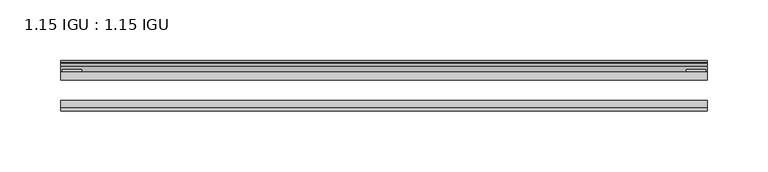
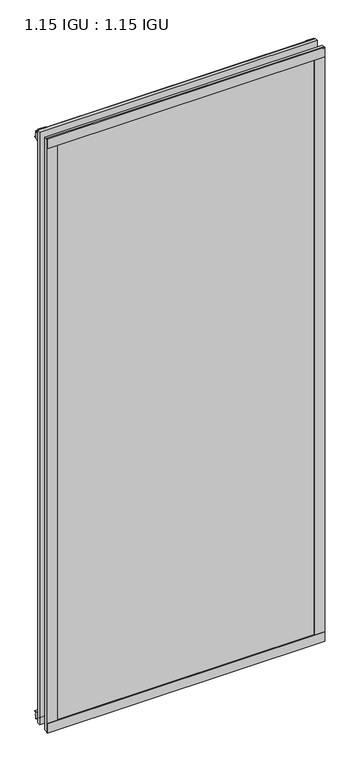
"""IFC4 building model written with IfcOpenShell, lengths in millimetres: plate geometry, 1.15 IGU : 1.15 IGU."""

import ifcopenshell
import ifcopenshell.guid

model = None  # the IFC model being written
_history = None  # IfcOwnerHistory: only IFC2X3 demands one
_inside = {}  # id of a spatial element -> (the spatial element, [elements in it])
_under = {}  # id of a project, library or spatial element -> (it, [spatial elements below it])
_declared = {}  # id of a project -> (the project, [libraries it declares])
_typed = {}  # id of a type object -> (the type object, [elements of that type])
_made_of = {}  # id of a material, layer set ... -> (it, [elements and type objects made of it])


def new_model(schema):
    """Start an empty IFC model of exactly this schema.

    Asked for "IFC4X3", IfcOpenShell would pick the latest addendum, in which some entities
    have other attributes; the version numbers below select the first issue.
    IFC2X3 requires an IfcOwnerHistory on every rooted entity: one is made here for all.
    """
    global model, _history
    if schema == "IFC4X3":
        model = ifcopenshell.file(schema_version=(4, 3, 0, 0))
    else:
        model = ifcopenshell.file(schema=schema)
    _inside.clear()
    _under.clear()
    _declared.clear()
    _typed.clear()
    _made_of.clear()
    _history = None
    if model.schema == "IFC2X3":
        org = make("IfcOrganization", Name="unknown")
        user = make(
            "IfcPersonAndOrganization",
            ThePerson=make("IfcPerson", FamilyName="unknown"),
            TheOrganization=org,
        )
        app = make(
            "IfcApplication",
            ApplicationDeveloper=org,
            Version="unknown",
            ApplicationFullName="unknown",
            ApplicationIdentifier="unknown",
        )
        _history = make(
            "IfcOwnerHistory",
            OwningUser=user,
            OwningApplication=app,
            ChangeAction="ADDED",
            CreationDate=0,
        )
    return model


def make(cls, **values):
    """One entity of the class cls with the attributes given. An attribute that is None is left unset."""
    return model.create_entity(
        cls, **{name: value for name, value in values.items() if value is not None}
    )


def rooted(cls, **values):
    """An entity with a GlobalId (a new one), such as an element, a storey or a relation."""
    return make(cls, GlobalId=ifcopenshell.guid.new(), OwnerHistory=_history, **values)


def si_unit(unit_type, name, prefix=None):
    """IfcSIUnit, for example si_unit("LENGTHUNIT", "METRE", prefix="MILLI")."""
    return make("IfcSIUnit", UnitType=unit_type, Prefix=prefix, Name=name)


def assignment(units):
    """IfcUnitAssignment: the units of a project."""
    return None if units is None else make("IfcUnitAssignment", Units=units)


def point(xyz):
    """IfcCartesianPoint."""
    return None if xyz is None else make("IfcCartesianPoint", Coordinates=xyz)


def direction(xyz):
    """IfcDirection."""
    return None if xyz is None else make("IfcDirection", DirectionRatios=xyz)


def frame(location, z_axis=None, x_axis=None):
    """IfcAxis2Placement3D, a coordinate frame: its origin and axes. An axis left out is left unset."""
    return make(
        "IfcAxis2Placement3D",
        Location=point(location),
        Axis=direction(z_axis),
        RefDirection=direction(x_axis),
    )


def frame_2d(location, x_axis=None):
    """IfcAxis2Placement2D, a coordinate frame in the plane: its origin and x axis."""
    return make(
        "IfcAxis2Placement2D", Location=point(location), RefDirection=direction(x_axis)
    )


def origin():
    """The frame at (0, 0, 0) with its axes left unset."""
    return frame((0.0, 0.0, 0.0))


def place(relative_to, where):
    """IfcLocalPlacement: puts the frame where relative to a parent placement (None: the world)."""
    return make(
        "IfcLocalPlacement", PlacementRelTo=relative_to, RelativePlacement=where
    )


def context(
    kind, dimensions, precision=None, world=None, true_north=None, identifier=None
):
    """IfcGeometricRepresentationContext, for example the 3D "Model" context."""
    return make(
        "IfcGeometricRepresentationContext",
        ContextIdentifier=identifier,
        ContextType=kind,
        CoordinateSpaceDimension=dimensions,
        Precision=precision,
        WorldCoordinateSystem=world,
        TrueNorth=true_north,
    )


def project(units=None, contexts=None):
    """IfcProject with its units and contexts."""
    return rooted(
        "IfcProject",
        Name="project",
        RepresentationContexts=contexts,
        UnitsInContext=assignment(units),
    )


def spatial(cls, under=None, at=None, **own):
    """A site, building, storey or space (cls), placed at a placement, below another one or the project."""
    s = rooted(cls, ObjectPlacement=at, **own)
    if under is not None:
        _under.setdefault(under.id(), (under, []))[1].append(s)
    return s


def polyline(points):
    """IfcPolyline through the points."""
    return make("IfcPolyline", Points=[point(p) for p in points])


def circle_curve(where, radius):
    """IfcCircle in the frame where."""
    return make("IfcCircle", Position=where, Radius=radius)


def trimmed(basis, trim1, trim2, sense, master):
    """IfcTrimmedCurve: the piece of a basis curve between two trims."""
    return make(
        "IfcTrimmedCurve",
        BasisCurve=basis,
        Trim1=trim1,
        Trim2=trim2,
        SenseAgreement=sense,
        MasterRepresentation=master,
    )


def segment(curve, same_sense, transition):
    """IfcCompositeCurveSegment."""
    return make(
        "IfcCompositeCurveSegment",
        Transition=transition,
        SameSense=same_sense,
        ParentCurve=curve,
    )


def composite_curve(segments, self_intersect=None):
    """IfcCompositeCurve: segments joined end to end."""
    return make("IfcCompositeCurve", Segments=segments, SelfIntersect=self_intersect)


def outline(outer, holes=None, kind="AREA"):
    """IfcArbitraryClosedProfileDef: a profile drawn as a closed curve; with holes, ...WithVoids."""
    if holes is None:
        return make("IfcArbitraryClosedProfileDef", ProfileType=kind, OuterCurve=outer)
    return make(
        "IfcArbitraryProfileDefWithVoids",
        ProfileType=kind,
        OuterCurve=outer,
        InnerCurves=holes,
    )


def extrude(swept, where, along, depth):
    """IfcExtrudedAreaSolid: the profile swept, set in the frame where, extruded along a direction by depth."""
    return make(
        "IfcExtrudedAreaSolid",
        SweptArea=swept,
        Position=where,
        ExtrudedDirection=direction(along),
        Depth=depth,
    )


def shape(context_of_items, identifier, shape_type, items):
    """IfcShapeRepresentation: the items that make up one representation, for example the "Body"."""
    return make(
        "IfcShapeRepresentation",
        ContextOfItems=context_of_items,
        RepresentationIdentifier=identifier,
        RepresentationType=shape_type,
        Items=items,
    )


def source(mapping_origin, context_of_items, identifier, shape_type, items):
    """IfcRepresentationMap: a shape defined once, which mapped items show again and again."""
    return make(
        "IfcRepresentationMap",
        MappingOrigin=mapping_origin,
        MappedRepresentation=shape(context_of_items, identifier, shape_type, items),
    )


def transform(
    local_origin,
    x_axis=None,
    y_axis=None,
    z_axis=None,
    scale=None,
    scale2=None,
    scale3=None,
    uniform=True,
):
    """IfcCartesianTransformationOperator3D, or its non-uniform kind. x_axis, y_axis, z_axis: its Axis1, 2, 3."""
    if uniform:
        return make(
            "IfcCartesianTransformationOperator3D",
            Axis1=direction(x_axis),
            Axis2=direction(y_axis),
            LocalOrigin=point(local_origin),
            Scale=scale,
            Axis3=direction(z_axis),
        )
    return make(
        "IfcCartesianTransformationOperator3DnonUniform",
        Axis1=direction(x_axis),
        Axis2=direction(y_axis),
        LocalOrigin=point(local_origin),
        Scale=scale,
        Axis3=direction(z_axis),
        Scale2=scale2,
        Scale3=scale3,
    )


def mapped(mapping_source, mapping_target):
    """IfcMappedItem: shows the shape of a source again, moved by a transform."""
    return make(
        "IfcMappedItem", MappingSource=mapping_source, MappingTarget=mapping_target
    )


def made_of(thing, what):
    """Note that an element or type object is made of a material, layer set ...; save() writes the relation."""
    if what is not None:
        _made_of.setdefault(what.id(), (what, []))[1].append(thing)
    return thing


def element(
    cls,
    number,
    at=None,
    inside=None,
    cuts=None,
    type_object=None,
    material=None,
    context=None,
    identifier="Body",
    shape_type=None,
    held_by="IfcProductDefinitionShape",
    body=None,
    shapes=None,
    **own,
):
    """One element of the class cls, such as IfcWall. Its Tag is "e" and its number.

    at: its placement. inside: the storey or other place that contains it. cuts: it is an
    opening in that element (IfcRelVoidsElement). A single representation is given by context,
    identifier, shape_type and body (its items); several are given by shapes. held_by: the class
    of the entity that holds the representations. save() writes the other relations.
    """
    e = rooted(cls, Tag="e%d" % number, ObjectPlacement=at, **own)
    if body is not None:
        shapes = [shape(context, identifier, shape_type, body)]
    if shapes is not None:
        e.Representation = make(held_by, Representations=shapes)
    if inside is not None:
        _inside.setdefault(inside.id(), (inside, []))[1].append(e)
    if cuts is not None:
        rooted(
            "IfcRelVoidsElement", RelatingBuildingElement=cuts, RelatedOpeningElement=e
        )
    if type_object is not None:
        _typed.setdefault(type_object.id(), (type_object, []))[1].append(e)
    return made_of(e, material)


def aggregate(whole, parts):
    """IfcRelAggregates: a whole, such as a stair, and the parts it consists of."""
    return rooted("IfcRelAggregates", RelatingObject=whole, RelatedObjects=parts)


def save(model, path):
    """Write the relations noted so far, then the file.

    IfcRelAggregates (storeys below a building ...), IfcRelContainedInSpatialStructure (elements
    in a storey), IfcRelDefinesByType, IfcRelAssociatesMaterial and IfcRelDeclares: one each for
    every whole, place, type object, material and project.
    """
    for whole, parts in _under.values():
        aggregate(whole, parts)
    for where, things in _inside.values():
        rooted(
            "IfcRelContainedInSpatialStructure",
            RelatedElements=things,
            RelatingStructure=where,
        )
    for kind, things in _typed.values():
        rooted("IfcRelDefinesByType", RelatedObjects=things, RelatingType=kind)
    for what, things in _made_of.values():
        rooted("IfcRelAssociatesMaterial", RelatedObjects=things, RelatingMaterial=what)
    for by, libraries in _declared.values():
        rooted("IfcRelDeclares", RelatingContext=by, RelatedDefinitions=libraries)
    model.write(path)


def plate_1_15_igu_1_15_igu_8d61bf35(model_context):
    return source(origin(), model_context, "Body", "SweptSolid", [
        extrude(outline(polyline([(265.11885, 0.0), (265.11885, -6.2992), (-265.11885, -6.2992), (-265.11885, 0.0), (265.11885, 0.0)])), frame((0.0, 0.0, -17.4498), z_axis=(0.0, 0.0, 1.0), x_axis=(1.0, 0.0, 0.0)), (0.0, 0.0, 1.0), 1196.9496),
        extrude(outline(polyline([(-265.11885, -23.1648), (265.11885, -23.1648), (265.11885, -29.464), (-265.11885, -29.464), (-265.11885, -23.1648)])), frame((0.0, 0.0, -17.4498), z_axis=(0.0, 0.0, 1.0), x_axis=(1.0, 0.0, 0.0)), (0.0, 0.0, 1.0), 1196.9496),
        extrude(outline(polyline([(-265.11885, -31.75), (-265.11885, -29.464), (265.11885, -29.464), (265.11885, -31.75), (-265.11885, -31.75)])), frame((0.0, 0.0, -19.05), z_axis=(0.0, 0.0, 1.0), x_axis=(1.0, 0.0, 0.0)), (0.0, 0.0, 1.0), 19.05),
        extrude(outline(composite_curve([segment(trimmed(circle_curve(frame_2d((13.6593785, 32.4202472)), 31.3046461), [point((0.0, 4.2528503))], [point((9.3980339, 1.406995))], True, "CARTESIAN"), True, "CONTINUOUS"), segment(polyline([(9.3980339, 1.406995), (9.3980339, 0.0254), (6.35, 0.0254), (6.35, -5.1625788), (7.7309478, -5.3970663), (6.35, -8.0073788), (6.35, -11.8471127)]), True, "CONTINUOUS"), segment(trimmed(circle_curve(frame_2d((5.334, -11.8471127)), 1.016), [point((6.35, -11.8471127))], [point((4.6284878, -12.5782136))], False, "CARTESIAN"), True, "CONTINUOUS"), segment(trimmed(circle_curve(frame_2d((-23.3689302, -41.5910901)), 40.3187601), [point((4.6284878, -12.5782136))], [point((0.0, -8.735413))], True, "CARTESIAN"), True, "CONTINUOUS"), segment(polyline([(0.0, -8.735413), (0.0, 4.2528503)]), True, "CONTINUOUS")], self_intersect=False)), frame((-265.11885, 0.0, 0.0), z_axis=(1.0, 0.0, 0.0), x_axis=(0.0, 1.0, 0.0)), (0.0, 0.0, 1.0), 530.2377),
        extrude(outline(composite_curve([segment(trimmed(circle_curve(frame_2d((-23.3689302, 1203.6664901)), 40.3187601), [point((0.0, 1170.810813))], [point((4.9746073, 1174.9916528))], True, "CARTESIAN"), True, "CONTINUOUS"), segment(trimmed(circle_curve(frame_2d((5.8674, 1174.0884245)), 1.27), [point((4.9746073, 1174.9916528))], [point((7.1374, 1174.0884245))], False, "CARTESIAN"), True, "CONTINUOUS"), segment(polyline([(7.1374, 1174.0884245), (7.1374, 1169.6876168), (7.7309478, 1167.4724663), (6.35, 1167.2379788), (6.35, 1162.05), (9.3980339, 1162.05), (9.3980339, 1160.668405)]), True, "CONTINUOUS"), segment(trimmed(circle_curve(frame_2d((13.6593785, 1129.6551528)), 31.3046461), [point((9.3980339, 1160.668405))], [point((0.0, 1157.8225497))], True, "CARTESIAN"), True, "CONTINUOUS"), segment(polyline([(0.0, 1157.8225497), (0.0, 1170.810813)]), True, "CONTINUOUS")], self_intersect=False)), frame((-265.11885, 0.0, 0.0), z_axis=(1.0, 0.0, 0.0), x_axis=(0.0, 1.0, 0.0)), (0.0, 0.0, 1.0), 530.2377),
        extrude(outline(polyline([(-265.11885, -31.75), (-265.11885, -29.464), (265.11885, -29.464), (265.11885, -31.75), (-265.11885, -31.75)])), frame((0.0, 0.0, 1162.05), z_axis=(0.0, 0.0, 1.0), x_axis=(1.0, 0.0, 0.0)), (0.0, 0.0, 1.0), 19.05),
        extrude(outline(polyline([(246.06885, -29.464), (265.11885, -29.464), (265.11885, -31.75), (246.06885, -31.75), (246.06885, -29.464)])), frame((0.0, 0.0, -17.4498), z_axis=(0.0, 0.0, 1.0), x_axis=(1.0, 0.0, 0.0)), (0.0, 0.0, 1.0), 1196.9496),
        extrude(outline(polyline([(263.91235, 2.2860088), (263.91235, 0.0021347), (248.03735, 0.0021347), (248.03735, 2.2860088), (263.91235, 2.2860088)])), frame((0.0, 0.0, -17.4498), z_axis=(0.0, 0.0, 1.0), x_axis=(1.0, 0.0, 0.0)), (0.0, 0.0, 1.0), 1196.9496),
        extrude(outline(polyline([(-265.11885, -31.75), (-265.11885, -29.464), (-246.06885, -29.464), (-246.06885, -31.75), (-265.11885, -31.75)])), frame((0.0, 0.0, -17.4498), z_axis=(0.0, 0.0, 1.0), x_axis=(1.0, 0.0, 0.0)), (0.0, 0.0, 1.0), 1196.9496),
        extrude(outline(polyline([(-263.91235, 0.0), (-263.91235, 2.286), (-248.03735, 2.286), (-248.03735, 0.0), (-263.91235, 0.0)])), frame((0.0, 0.0, -17.4498), z_axis=(0.0, 0.0, 1.0), x_axis=(1.0, 0.0, 0.0)), (0.0, 0.0, 1.0), 1196.9496),
    ])


if __name__ == "__main__":
    model = new_model("IFC4")
    model_context = context("Model", 3, world=origin())
    ifc_project = project(units=[si_unit("LENGTHUNIT", "METRE", prefix="MILLI")], contexts=[model_context])
    site = spatial("IfcSite", under=ifc_project)
    building = spatial("IfcBuilding", under=site)
    placement = place(None, origin())
    plate_1_15_igu_1_15_igu_shape = plate_1_15_igu_1_15_igu_8d61bf35(model_context)
    element("IfcPlate", 1, ObjectType="1.15 IGU : 1.15 IGU", at=placement, inside=building, context=model_context, shape_type="MappedRepresentation", body=[
        mapped(plate_1_15_igu_1_15_igu_shape, transform((0.0, 0.0, 0.0), x_axis=(1.0, 0.0, 0.0), y_axis=(0.0, 1.0, 0.0), z_axis=(0.0, 0.0, 1.0))),
    ])
    save(model, "model.ifc")
